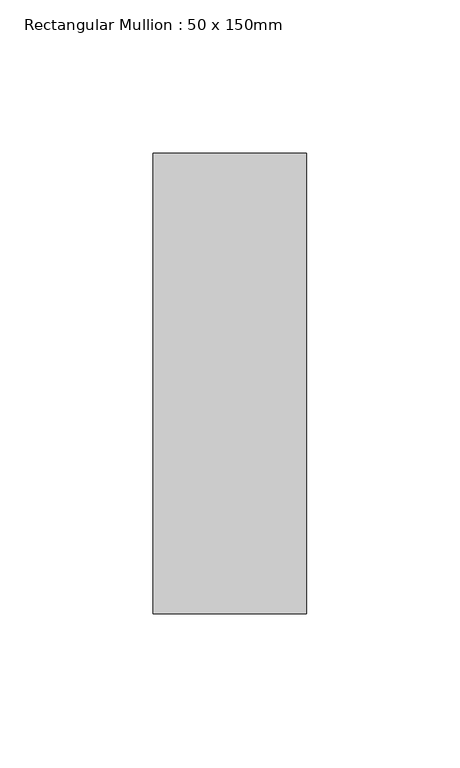
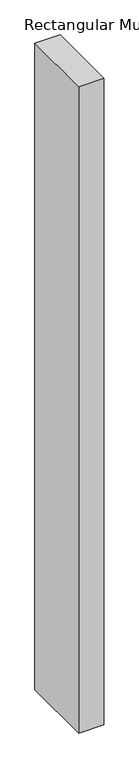
"""IFC4 building model written with IfcOpenShell, lengths in millimetres: member geometry, Rectangular Mullion : 50 x 150mm."""

import ifcopenshell
import ifcopenshell.guid

model = None  # the IFC model being written
_history = None  # IfcOwnerHistory: only IFC2X3 demands one
_inside = {}  # id of a spatial element -> (the spatial element, [elements in it])
_under = {}  # id of a project, library or spatial element -> (it, [spatial elements below it])
_declared = {}  # id of a project -> (the project, [libraries it declares])
_typed = {}  # id of a type object -> (the type object, [elements of that type])
_made_of = {}  # id of a material, layer set ... -> (it, [elements and type objects made of it])


def new_model(schema):
    """Start an empty IFC model of exactly this schema.

    Asked for "IFC4X3", IfcOpenShell would pick the latest addendum, in which some entities
    have other attributes; the version numbers below select the first issue.
    IFC2X3 requires an IfcOwnerHistory on every rooted entity: one is made here for all.
    """
    global model, _history
    if schema == "IFC4X3":
        model = ifcopenshell.file(schema_version=(4, 3, 0, 0))
    else:
        model = ifcopenshell.file(schema=schema)
    _inside.clear()
    _under.clear()
    _declared.clear()
    _typed.clear()
    _made_of.clear()
    _history = None
    if model.schema == "IFC2X3":
        org = make("IfcOrganization", Name="unknown")
        user = make(
            "IfcPersonAndOrganization",
            ThePerson=make("IfcPerson", FamilyName="unknown"),
            TheOrganization=org,
        )
        app = make(
            "IfcApplication",
            ApplicationDeveloper=org,
            Version="unknown",
            ApplicationFullName="unknown",
            ApplicationIdentifier="unknown",
        )
        _history = make(
            "IfcOwnerHistory",
            OwningUser=user,
            OwningApplication=app,
            ChangeAction="ADDED",
            CreationDate=0,
        )
    return model


def make(cls, **values):
    """One entity of the class cls with the attributes given. An attribute that is None is left unset."""
    return model.create_entity(
        cls, **{name: value for name, value in values.items() if value is not None}
    )


def rooted(cls, **values):
    """An entity with a GlobalId (a new one), such as an element, a storey or a relation."""
    return make(cls, GlobalId=ifcopenshell.guid.new(), OwnerHistory=_history, **values)


def si_unit(unit_type, name, prefix=None):
    """IfcSIUnit, for example si_unit("LENGTHUNIT", "METRE", prefix="MILLI")."""
    return make("IfcSIUnit", UnitType=unit_type, Prefix=prefix, Name=name)


def assignment(units):
    """IfcUnitAssignment: the units of a project."""
    return None if units is None else make("IfcUnitAssignment", Units=units)


def point(xyz):
    """IfcCartesianPoint."""
    return None if xyz is None else make("IfcCartesianPoint", Coordinates=xyz)


def direction(xyz):
    """IfcDirection."""
    return None if xyz is None else make("IfcDirection", DirectionRatios=xyz)


def frame(location, z_axis=None, x_axis=None):
    """IfcAxis2Placement3D, a coordinate frame: its origin and axes. An axis left out is left unset."""
    return make(
        "IfcAxis2Placement3D",
        Location=point(location),
        Axis=direction(z_axis),
        RefDirection=direction(x_axis),
    )


def origin():
    """The frame at (0, 0, 0) with its axes left unset."""
    return frame((0.0, 0.0, 0.0))


def place(relative_to, where):
    """IfcLocalPlacement: puts the frame where relative to a parent placement (None: the world)."""
    return make(
        "IfcLocalPlacement", PlacementRelTo=relative_to, RelativePlacement=where
    )


def context(
    kind, dimensions, precision=None, world=None, true_north=None, identifier=None
):
    """IfcGeometricRepresentationContext, for example the 3D "Model" context."""
    return make(
        "IfcGeometricRepresentationContext",
        ContextIdentifier=identifier,
        ContextType=kind,
        CoordinateSpaceDimension=dimensions,
        Precision=precision,
        WorldCoordinateSystem=world,
        TrueNorth=true_north,
    )


def project(units=None, contexts=None):
    """IfcProject with its units and contexts."""
    return rooted(
        "IfcProject",
        Name="project",
        RepresentationContexts=contexts,
        UnitsInContext=assignment(units),
    )


def spatial(cls, under=None, at=None, **own):
    """A site, building, storey or space (cls), placed at a placement, below another one or the project."""
    s = rooted(cls, ObjectPlacement=at, **own)
    if under is not None:
        _under.setdefault(under.id(), (under, []))[1].append(s)
    return s


def polyline(points):
    """IfcPolyline through the points."""
    return make("IfcPolyline", Points=[point(p) for p in points])


def outline(outer, holes=None, kind="AREA"):
    """IfcArbitraryClosedProfileDef: a profile drawn as a closed curve; with holes, ...WithVoids."""
    if holes is None:
        return make("IfcArbitraryClosedProfileDef", ProfileType=kind, OuterCurve=outer)
    return make(
        "IfcArbitraryProfileDefWithVoids",
        ProfileType=kind,
        OuterCurve=outer,
        InnerCurves=holes,
    )


def extrude(swept, where, along, depth):
    """IfcExtrudedAreaSolid: the profile swept, set in the frame where, extruded along a direction by depth."""
    return make(
        "IfcExtrudedAreaSolid",
        SweptArea=swept,
        Position=where,
        ExtrudedDirection=direction(along),
        Depth=depth,
    )


def shape(context_of_items, identifier, shape_type, items):
    """IfcShapeRepresentation: the items that make up one representation, for example the "Body"."""
    return make(
        "IfcShapeRepresentation",
        ContextOfItems=context_of_items,
        RepresentationIdentifier=identifier,
        RepresentationType=shape_type,
        Items=items,
    )


def source(mapping_origin, context_of_items, identifier, shape_type, items):
    """IfcRepresentationMap: a shape defined once, which mapped items show again and again."""
    return make(
        "IfcRepresentationMap",
        MappingOrigin=mapping_origin,
        MappedRepresentation=shape(context_of_items, identifier, shape_type, items),
    )


def transform(
    local_origin,
    x_axis=None,
    y_axis=None,
    z_axis=None,
    scale=None,
    scale2=None,
    scale3=None,
    uniform=True,
):
    """IfcCartesianTransformationOperator3D, or its non-uniform kind. x_axis, y_axis, z_axis: its Axis1, 2, 3."""
    if uniform:
        return make(
            "IfcCartesianTransformationOperator3D",
            Axis1=direction(x_axis),
            Axis2=direction(y_axis),
            LocalOrigin=point(local_origin),
            Scale=scale,
            Axis3=direction(z_axis),
        )
    return make(
        "IfcCartesianTransformationOperator3DnonUniform",
        Axis1=direction(x_axis),
        Axis2=direction(y_axis),
        LocalOrigin=point(local_origin),
        Scale=scale,
        Axis3=direction(z_axis),
        Scale2=scale2,
        Scale3=scale3,
    )


def mapped(mapping_source, mapping_target):
    """IfcMappedItem: shows the shape of a source again, moved by a transform."""
    return make(
        "IfcMappedItem", MappingSource=mapping_source, MappingTarget=mapping_target
    )


def made_of(thing, what):
    """Note that an element or type object is made of a material, layer set ...; save() writes the relation."""
    if what is not None:
        _made_of.setdefault(what.id(), (what, []))[1].append(thing)
    return thing


def element(
    cls,
    number,
    at=None,
    inside=None,
    cuts=None,
    type_object=None,
    material=None,
    context=None,
    identifier="Body",
    shape_type=None,
    held_by="IfcProductDefinitionShape",
    body=None,
    shapes=None,
    **own,
):
    """One element of the class cls, such as IfcWall. Its Tag is "e" and its number.

    at: its placement. inside: the storey or other place that contains it. cuts: it is an
    opening in that element (IfcRelVoidsElement). A single representation is given by context,
    identifier, shape_type and body (its items); several are given by shapes. held_by: the class
    of the entity that holds the representations. save() writes the other relations.
    """
    e = rooted(cls, Tag="e%d" % number, ObjectPlacement=at, **own)
    if body is not None:
        shapes = [shape(context, identifier, shape_type, body)]
    if shapes is not None:
        e.Representation = make(held_by, Representations=shapes)
    if inside is not None:
        _inside.setdefault(inside.id(), (inside, []))[1].append(e)
    if cuts is not None:
        rooted(
            "IfcRelVoidsElement", RelatingBuildingElement=cuts, RelatedOpeningElement=e
        )
    if type_object is not None:
        _typed.setdefault(type_object.id(), (type_object, []))[1].append(e)
    return made_of(e, material)


def aggregate(whole, parts):
    """IfcRelAggregates: a whole, such as a stair, and the parts it consists of."""
    return rooted("IfcRelAggregates", RelatingObject=whole, RelatedObjects=parts)


def save(model, path):
    """Write the relations noted so far, then the file.

    IfcRelAggregates (storeys below a building ...), IfcRelContainedInSpatialStructure (elements
    in a storey), IfcRelDefinesByType, IfcRelAssociatesMaterial and IfcRelDeclares: one each for
    every whole, place, type object, material and project.
    """
    for whole, parts in _under.values():
        aggregate(whole, parts)
    for where, things in _inside.values():
        rooted(
            "IfcRelContainedInSpatialStructure",
            RelatedElements=things,
            RelatingStructure=where,
        )
    for kind, things in _typed.values():
        rooted("IfcRelDefinesByType", RelatedObjects=things, RelatingType=kind)
    for what, things in _made_of.values():
        rooted("IfcRelAssociatesMaterial", RelatedObjects=things, RelatingMaterial=what)
    for by, libraries in _declared.values():
        rooted("IfcRelDeclares", RelatingContext=by, RelatedDefinitions=libraries)
    model.write(path)


def rectangular_mullion_50_x_150mm_05277898(model_context):
    return source(origin(), model_context, "Body", "SweptSolid", [
        extrude(outline(polyline([(0.0, 75.0), (0.0, -75.0), (-50.0, -75.0), (-50.0, 75.0), (0.0, 75.0)])), frame((0.0, 0.0, -1356.6666667), z_axis=(0.0, 0.0, 1.0), x_axis=(1.0, 0.0, 0.0)), (0.0, 0.0, 1.0), 1356.6666667),
    ])


if __name__ == "__main__":
    model = new_model("IFC4")
    model_context = context("Model", 3, world=origin())
    ifc_project = project(units=[si_unit("LENGTHUNIT", "METRE", prefix="MILLI")], contexts=[model_context])
    site = spatial("IfcSite", under=ifc_project)
    building = spatial("IfcBuilding", under=site)
    placement = place(None, origin())
    rectangular_mullion_50_x_150mm_shape = rectangular_mullion_50_x_150mm_05277898(model_context)
    element("IfcMember", 1, ObjectType="Rectangular Mullion : 50 x 150mm", at=placement, inside=building, context=model_context, shape_type="MappedRepresentation", body=[
        mapped(rectangular_mullion_50_x_150mm_shape, transform((0.0, 0.0, 0.0), x_axis=(1.0, 0.0, 0.0), y_axis=(0.0, 1.0, 0.0), z_axis=(0.0, 0.0, 1.0))),
    ])
    save(model, "model.ifc")
